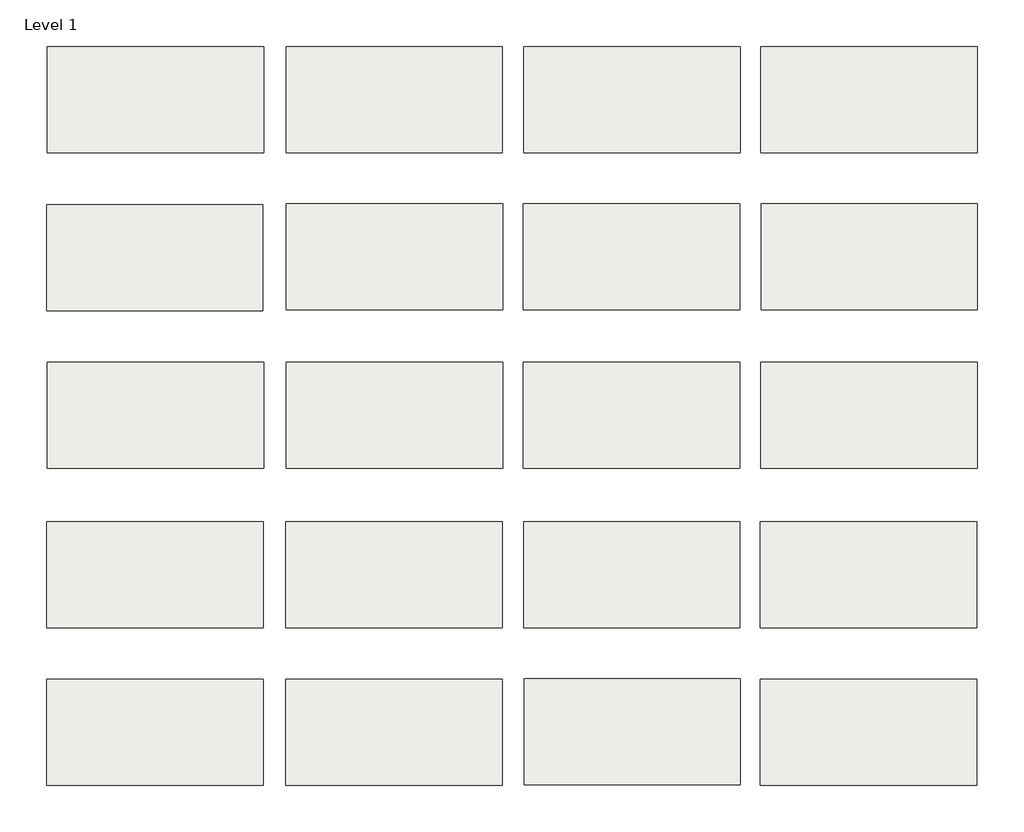
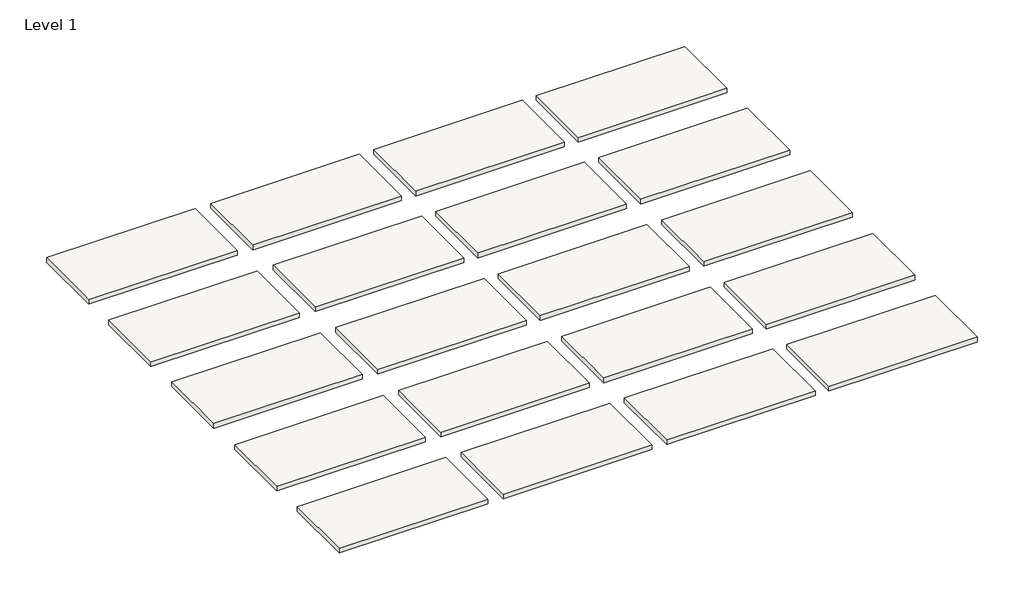
# One storey: 20 slabs.
"""IFC4 building model written with IfcOpenShell, lengths in millimetres."""

from ifc_helpers import new_model, si_unit, frame, origin, place, context, project, spatial, polyline, outline, extrude, element, save

model = new_model("IFC4")

# Units and contexts
model_context = context("Model", 3, world=origin())
ifc_project = project(units=[si_unit("LENGTHUNIT", "METRE", prefix="MILLI")], contexts=[model_context])

# Site, building, storey
site = spatial("IfcSite", under=ifc_project)
building = spatial("IfcBuilding", under=site)
storey = spatial("IfcBuildingStorey", under=building, Name="Level 1", Elevation=0.0)

# Slabs
placement = place(None, origin())
element("IfcSlab", 1, at=placement, inside=storey, context=model_context, shape_type="SweptSolid", body=[
    extrude(outline(polyline([(-31688.0069148, 11944.9907703), (-31688.0069148, 12110.0907703), (-31351.4569148, 12110.0907703), (-31351.4569148, 11944.9907703), (-31688.0069148, 11944.9907703)])), frame((0.0, 0.0, -11.1125), z_axis=(0.0, 0.0, 1.0), x_axis=(1.0, 0.0, 0.0)), (0.0, 0.0, 1.0), 11.1125),
])
element("IfcSlab", 2, at=placement, inside=storey, context=model_context, shape_type="SweptSolid", body=[
    extrude(outline(polyline([(-32429.677291, 12928.1625748), (-32429.677291, 13093.2625748), (-32093.127291, 13093.2625748), (-32093.127291, 12928.1625748), (-32429.677291, 12928.1625748)])), frame((0.0, 0.0, -11.1125), z_axis=(0.0, 0.0, 1.0), x_axis=(1.0, 0.0, 0.0)), (0.0, 0.0, 1.0), 11.1125),
])
element("IfcSlab", 3, at=placement, inside=storey, context=model_context, shape_type="SweptSolid", body=[
    extrude(outline(polyline([(-32058.202291, 12928.1625748), (-32058.202291, 13093.2625748), (-31721.652291, 13093.2625748), (-31721.652291, 12928.1625748), (-32058.202291, 12928.1625748)])), frame((0.0, 0.0, -11.1125), z_axis=(0.0, 0.0, 1.0), x_axis=(1.0, 0.0, 0.0)), (0.0, 0.0, 1.0), 11.1125),
])
element("IfcSlab", 4, at=placement, inside=storey, context=model_context, shape_type="SweptSolid", body=[
    extrude(outline(polyline([(-31688.314791, 12928.1625748), (-31688.314791, 13093.2625748), (-31351.764791, 13093.2625748), (-31351.764791, 12928.1625748), (-31688.314791, 12928.1625748)])), frame((0.0, 0.0, -11.1125), z_axis=(0.0, 0.0, 1.0), x_axis=(1.0, 0.0, 0.0)), (0.0, 0.0, 1.0), 11.1125),
])
element("IfcSlab", 5, at=placement, inside=storey, context=model_context, shape_type="SweptSolid", body=[
    extrude(outline(polyline([(-31320.014791, 12928.1625748), (-31320.014791, 13093.2625748), (-30983.464791, 13093.2625748), (-30983.464791, 12928.1625748), (-31320.014791, 12928.1625748)])), frame((0.0, 0.0, -11.1125), z_axis=(0.0, 0.0, 1.0), x_axis=(1.0, 0.0, 0.0)), (0.0, 0.0, 1.0), 11.1125),
])
element("IfcSlab", 6, at=placement, inside=storey, context=model_context, shape_type="SweptSolid", body=[
    extrude(outline(polyline([(-32430.7075251, 12681.9969588), (-32430.7075251, 12847.0969588), (-32094.1575251, 12847.0969588), (-32094.1575251, 12681.9969588), (-32430.7075251, 12681.9969588)])), frame((0.0, 0.0, -11.1125), z_axis=(0.0, 0.0, 1.0), x_axis=(1.0, 0.0, 0.0)), (0.0, 0.0, 1.0), 11.1125),
])
element("IfcSlab", 7, at=placement, inside=storey, context=model_context, shape_type="SweptSolid", body=[
    extrude(outline(polyline([(-32057.6450251, 12683.5844588), (-32057.6450251, 12848.6844588), (-31721.0950251, 12848.6844588), (-31721.0950251, 12683.5844588), (-32057.6450251, 12683.5844588)])), frame((0.0, 0.0, -11.1125), z_axis=(0.0, 0.0, 1.0), x_axis=(1.0, 0.0, 0.0)), (0.0, 0.0, 1.0), 11.1125),
])
element("IfcSlab", 8, at=placement, inside=storey, context=model_context, shape_type="SweptSolid", body=[
    extrude(outline(polyline([(-31689.3450251, 12683.5844588), (-31689.3450251, 12848.6844588), (-31352.7950251, 12848.6844588), (-31352.7950251, 12683.5844588), (-31689.3450251, 12683.5844588)])), frame((0.0, 0.0, -11.1125), z_axis=(0.0, 0.0, 1.0), x_axis=(1.0, 0.0, 0.0)), (0.0, 0.0, 1.0), 11.1125),
])
element("IfcSlab", 9, at=placement, inside=storey, context=model_context, shape_type="SweptSolid", body=[
    extrude(outline(polyline([(-31319.4575251, 12683.5844588), (-31319.4575251, 12848.6844588), (-30982.9075251, 12848.6844588), (-30982.9075251, 12683.5844588), (-31319.4575251, 12683.5844588)])), frame((0.0, 0.0, -11.1125), z_axis=(0.0, 0.0, 1.0), x_axis=(1.0, 0.0, 0.0)), (0.0, 0.0, 1.0), 11.1125),
])
element("IfcSlab", 10, at=placement, inside=storey, context=model_context, shape_type="SweptSolid", body=[
    extrude(outline(polyline([(-32429.2600288, 12437.0250483), (-32429.2600288, 12602.1250483), (-32092.7100288, 12602.1250483), (-32092.7100288, 12437.0250483), (-32429.2600288, 12437.0250483)])), frame((0.0, 0.0, -11.1125), z_axis=(0.0, 0.0, 1.0), x_axis=(1.0, 0.0, 0.0)), (0.0, 0.0, 1.0), 11.1125),
])
element("IfcSlab", 11, at=placement, inside=storey, context=model_context, shape_type="SweptSolid", body=[
    extrude(outline(polyline([(-32057.7850288, 12437.0250483), (-32057.7850288, 12602.1250483), (-31721.2350288, 12602.1250483), (-31721.2350288, 12437.0250483), (-32057.7850288, 12437.0250483)])), frame((0.0, 0.0, -11.1125), z_axis=(0.0, 0.0, 1.0), x_axis=(1.0, 0.0, 0.0)), (0.0, 0.0, 1.0), 11.1125),
])
element("IfcSlab", 12, at=placement, inside=storey, context=model_context, shape_type="SweptSolid", body=[
    extrude(outline(polyline([(-31689.4850288, 12437.0250483), (-31689.4850288, 12602.1250483), (-31352.9350288, 12602.1250483), (-31352.9350288, 12437.0250483), (-31689.4850288, 12437.0250483)])), frame((0.0, 0.0, -11.1125), z_axis=(0.0, 0.0, 1.0), x_axis=(1.0, 0.0, 0.0)), (0.0, 0.0, 1.0), 11.1125),
])
element("IfcSlab", 13, at=placement, inside=storey, context=model_context, shape_type="SweptSolid", body=[
    extrude(outline(polyline([(-31319.5975288, 12437.0250483), (-31319.5975288, 12602.1250483), (-30983.0475288, 12602.1250483), (-30983.0475288, 12437.0250483), (-31319.5975288, 12437.0250483)])), frame((0.0, 0.0, -11.1125), z_axis=(0.0, 0.0, 1.0), x_axis=(1.0, 0.0, 0.0)), (0.0, 0.0, 1.0), 11.1125),
])
element("IfcSlab", 14, at=placement, inside=storey, context=model_context, shape_type="SweptSolid", body=[
    extrude(outline(polyline([(-32430.1275129, 12189.4309932), (-32430.1275129, 12354.5309932), (-32093.5775129, 12354.5309932), (-32093.5775129, 12189.4309932), (-32430.1275129, 12189.4309932)])), frame((0.0, 0.0, -11.1125), z_axis=(0.0, 0.0, 1.0), x_axis=(1.0, 0.0, 0.0)), (0.0, 0.0, 1.0), 11.1125),
])
element("IfcSlab", 15, at=placement, inside=storey, context=model_context, shape_type="SweptSolid", body=[
    extrude(outline(polyline([(-32058.6525129, 12189.4309932), (-32058.6525129, 12354.5309932), (-31722.1025129, 12354.5309932), (-31722.1025129, 12189.4309932), (-32058.6525129, 12189.4309932)])), frame((0.0, 0.0, -11.1125), z_axis=(0.0, 0.0, 1.0), x_axis=(1.0, 0.0, 0.0)), (0.0, 0.0, 1.0), 11.1125),
])
element("IfcSlab", 16, at=placement, inside=storey, context=model_context, shape_type="SweptSolid", body=[
    extrude(outline(polyline([(-31688.7650129, 12189.4309932), (-31688.7650129, 12354.5309932), (-31352.2150129, 12354.5309932), (-31352.2150129, 12189.4309932), (-31688.7650129, 12189.4309932)])), frame((0.0, 0.0, -11.1125), z_axis=(0.0, 0.0, 1.0), x_axis=(1.0, 0.0, 0.0)), (0.0, 0.0, 1.0), 11.1125),
])
element("IfcSlab", 17, at=placement, inside=storey, context=model_context, shape_type="SweptSolid", body=[
    extrude(outline(polyline([(-31320.4650129, 12189.4309932), (-31320.4650129, 12354.5309932), (-30983.9150129, 12354.5309932), (-30983.9150129, 12189.4309932), (-31320.4650129, 12189.4309932)])), frame((0.0, 0.0, -11.1125), z_axis=(0.0, 0.0, 1.0), x_axis=(1.0, 0.0, 0.0)), (0.0, 0.0, 1.0), 11.1125),
])
element("IfcSlab", 18, at=placement, inside=storey, context=model_context, shape_type="SweptSolid", body=[
    extrude(outline(polyline([(-32430.0584973, 11944.3756949), (-32430.0584973, 12109.4756949), (-32093.5084973, 12109.4756949), (-32093.5084973, 11944.3756949), (-32430.0584973, 11944.3756949)])), frame((0.0, 0.0, -11.1125), z_axis=(0.0, 0.0, 1.0), x_axis=(1.0, 0.0, 0.0)), (0.0, 0.0, 1.0), 11.1125),
])
element("IfcSlab", 19, at=placement, inside=storey, context=model_context, shape_type="SweptSolid", body=[
    extrude(outline(polyline([(-32058.5834973, 11944.3756949), (-32058.5834973, 12109.4756949), (-31722.0334973, 12109.4756949), (-31722.0334973, 11944.3756949), (-32058.5834973, 11944.3756949)])), frame((0.0, 0.0, -11.1125), z_axis=(0.0, 0.0, 1.0), x_axis=(1.0, 0.0, 0.0)), (0.0, 0.0, 1.0), 11.1125),
])
element("IfcSlab", 20, at=placement, inside=storey, context=model_context, shape_type="SweptSolid", body=[
    extrude(outline(polyline([(-31320.3959973, 11944.3756949), (-31320.3959973, 12109.4756949), (-30983.8459973, 12109.4756949), (-30983.8459973, 11944.3756949), (-31320.3959973, 11944.3756949)])), frame((0.0, 0.0, -11.1125), z_axis=(0.0, 0.0, 1.0), x_axis=(1.0, 0.0, 0.0)), (0.0, 0.0, 1.0), 11.1125),
])

save(model, "model.ifc")
